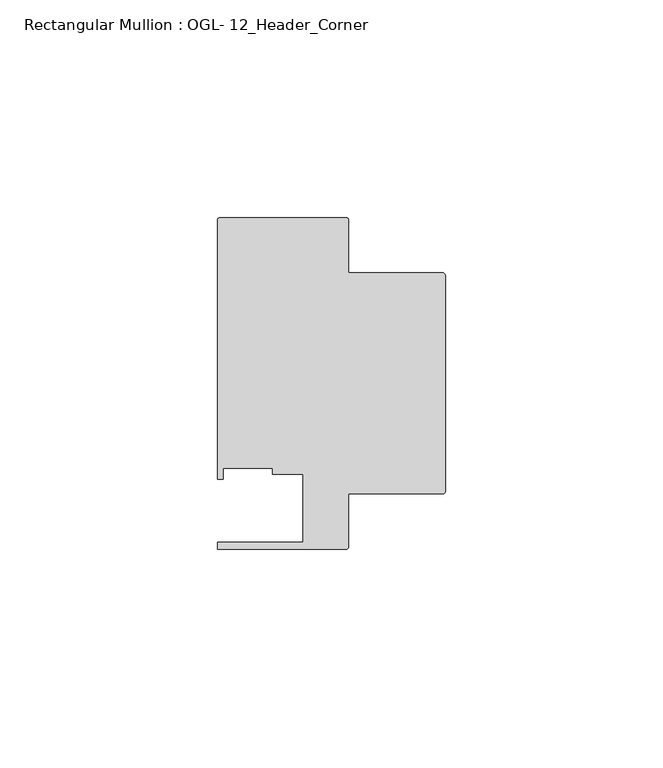
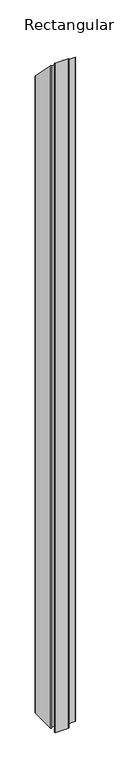
"""IFC4 building model written with IfcOpenShell, lengths in millimetres: member geometry, Rectangular Mullion : OGL- 12_Header_Corner."""

from ifc_helpers import new_model, si_unit, frame, origin, place, context, project, spatial, circle_curve, ellipse_curve, source, transform, mapped, element, save
from ifc_brep_helpers import plane_surface, cylinder_surface, advanced_brep


def rectangular_mullion_ogl_12_header_corner_714afadc(model_context):
    return source(origin(), model_context, "Body", "AdvancedBrep", [
        advanced_brep(
        [(-0.5953125, 55.5625, -1524.0), (0.0, 54.9671875, -1524.0), (0.0, 5.3578125, -1524.0), (-0.5953125, 4.7625, -1524.0), (-22.2332898, 4.7625, -1524.0), (-22.2332898, -7.294459, -1524.0), (-22.8763468, -7.937516, -1524.0), (-52.3830881, -7.937516, -1524.0), (-52.3830881, -6.350016, -1524.0), (-32.730302, -6.350016, -1524.0), (-32.730302, 9.3367652, -1524.0), (-39.7567771, 9.3367652, -1524.0), (-39.7567771, 10.6800725, -1524.0), (-51.1362531, 10.6800725, -1524.0), (-51.1362531, 8.1914024, -1524.0), (-52.3921824, 8.1914024, -1524.0), (-52.3921824, 67.6668667, -1524.0), (-51.7968699, 68.2621792, -1524.0), (-22.8286023, 68.2621792, -1524.0), (-22.2332898, 67.6668667, -1524.0), (-22.2332898, 55.5625, -1524.0), (-22.2332898, 55.5625, -55.5625), (-0.5953125, 55.5625, -55.5625), (-22.2332898, 67.6668667, -67.6668667), (-22.8286023, 68.2621792, -68.2621792), (-51.7968699, 68.2621792, -68.2621792), (-52.3921824, 67.6668667, -67.6668667), (-52.3921824, 8.1914024, -8.1914024), (-51.1362531, 8.1914024, -8.1914024), (-51.1362531, 10.6800725, -10.6800725), (-39.7567771, 10.6800725, -10.6800725), (-39.7567771, 9.3367652, -9.3367652), (-32.730302, 9.3367652, -9.3367652), (-32.730302, -6.350016, 6.350016), (-52.3830881, -6.350016, 6.350016), (-52.3830881, -7.937516, 7.937516), (-22.8763468, -7.937516, 7.937516), (-22.2332898, -7.294459, 7.294459), (-22.2332898, 4.7625, -4.7625), (-0.5953125, 4.7625, -4.7625), (0.0, 5.3578125, -5.3578125), (0.0, 54.9671875, -54.9671875)],
        [
            (0, 1, circle_curve(frame((-0.5953125, 54.9671875, -1524.0), z_axis=(0.0, 0.0, -1.0), x_axis=(0.0, 1.0, 0.0)), 0.5953125)),
            (1, 2),
            (2, 3, circle_curve(frame((-0.5953125, 5.3578125, -1524.0), z_axis=(0.0, 0.0, -1.0), x_axis=(1.0, 0.0, 0.0)), 0.5953125)),
            (3, 4),
            (4, 5),
            (5, 6, circle_curve(frame((-22.8763468, -7.294459, -1524.0), z_axis=(0.0, 0.0, -1.0), x_axis=(1.0, 0.0, 0.0)), 0.643057)),
            (6, 7),
            (7, 8),
            (8, 9),
            (9, 10),
            (10, 11),
            (11, 12),
            (12, 13),
            (13, 14),
            (14, 15),
            (15, 16),
            (16, 17, circle_curve(frame((-51.7968699, 67.6668667, -1524.0), z_axis=(0.0, 0.0, -1.0), x_axis=(1.0, 0.0, 0.0)), 0.5953125)),
            (17, 18),
            (18, 19, circle_curve(frame((-22.8286023, 67.6668667, -1524.0), z_axis=(0.0, 0.0, -1.0), x_axis=(1.0, 0.0, 0.0)), 0.5953125)),
            (19, 20),
            (20, 0),
            (21, 22),
            (22, 0),
            (20, 21),
            (23, 21),
            (19, 23),
            (24, 23, ellipse_curve(frame((-22.8286023, 67.6668667, -67.6668667), z_axis=(0.0, -0.7071067811865465, -0.7071067811865486), x_axis=(0.0, -0.7071067811865486, 0.7071067811865466)), 0.841899, 0.5953125)),
            (18, 24),
            (25, 24),
            (17, 25),
            (26, 25, ellipse_curve(frame((-51.7968699, 67.6668667, -67.6668667), z_axis=(0.0, -0.7071067811865465, -0.7071067811865486), x_axis=(0.0, -0.7071067811865486, 0.7071067811865466)), 0.841899, 0.5953125)),
            (16, 26),
            (27, 26),
            (15, 27),
            (28, 27),
            (14, 28),
            (29, 28),
            (13, 29),
            (30, 29),
            (12, 30),
            (31, 30),
            (11, 31),
            (32, 31),
            (10, 32),
            (33, 32),
            (9, 33),
            (34, 33),
            (8, 34),
            (35, 34),
            (7, 35),
            (36, 35),
            (6, 36),
            (37, 36, ellipse_curve(frame((-22.8763468, -7.294459, 7.294459), z_axis=(0.0, -0.7071067811865465, -0.7071067811865486), x_axis=(0.0, -0.7071067811865486, 0.7071067811865466)), 0.9094199, 0.643057)),
            (5, 37),
            (38, 37),
            (4, 38),
            (39, 38),
            (3, 39),
            (40, 39, ellipse_curve(frame((-0.5953125, 5.3578125, -5.3578125), z_axis=(0.0, -0.7071067811865465, -0.7071067811865486), x_axis=(0.0, -0.7071067811865486, 0.7071067811865466)), 0.841899, 0.5953125)),
            (2, 40),
            (41, 40),
            (1, 41),
            (22, 41, ellipse_curve(frame((-0.5953125, 54.9671875, -54.9671875), z_axis=(0.0, -0.7071067811865465, -0.7071067811865486), x_axis=(0.0, -0.7071067811865486, 0.7071067811865466)), 0.841899, 0.5953125)),
        ],
        [
            plane_surface(frame((0.0, -85.8058936, -1524.0), z_axis=(0.0, 0.0, -1.0), x_axis=(-1.0, 0.0, 0.0))),
            plane_surface(frame((-0.5953125, 55.5625, 0.0), z_axis=(0.0, 1.0, 0.0), x_axis=(0.0, 0.0, -1.0))),
            plane_surface(frame((-22.2332898, 55.5625, 0.0), z_axis=(1.0, 0.0, 0.0), x_axis=(0.0, 0.0, -1.0))),
            cylinder_surface(frame((-22.8286023, 67.6668667, 0.0), z_axis=(0.0, 0.0, 1.0), x_axis=(1.0, 0.0, 0.0)), 0.5953125),
            plane_surface(frame((-22.8286023, 68.2621792, 0.0), z_axis=(0.0, 1.0, 0.0), x_axis=(0.0, 0.0, -1.0))),
            cylinder_surface(frame((-51.7968699, 67.6668667, 0.0), z_axis=(0.0, 0.0, 1.0), x_axis=(1.0, 0.0, 0.0)), 0.5953125),
            plane_surface(frame((-52.3921824, 67.6668667, 0.0), z_axis=(-1.0, 0.0, 0.0), x_axis=(0.0, 0.0, -1.0))),
            plane_surface(frame((-52.3921824, 8.1914024, 0.0), z_axis=(0.0, -1.0, 0.0), x_axis=(0.0, 0.0, -1.0))),
            plane_surface(frame((-51.1362531, 8.1914024, 0.0), z_axis=(1.0, 0.0, 0.0), x_axis=(0.0, 0.0, -1.0))),
            plane_surface(frame((-51.1362531, 10.6800725, 0.0), z_axis=(0.0, -1.0, 0.0), x_axis=(0.0, 0.0, -1.0))),
            plane_surface(frame((-39.7567771, 10.6800725, 0.0), z_axis=(-1.0, 0.0, 0.0), x_axis=(0.0, 0.0, -1.0))),
            plane_surface(frame((-39.7567771, 9.3367652, 0.0), z_axis=(0.0, -1.0, 0.0), x_axis=(0.0, 0.0, -1.0))),
            plane_surface(frame((-32.730302, 9.3367652, 0.0), z_axis=(-1.0, 0.0, 0.0), x_axis=(0.0, 0.0, -1.0))),
            plane_surface(frame((-32.730302, -6.350016, 0.0), z_axis=(0.0, 1.0, 0.0), x_axis=(0.0, 0.0, -1.0))),
            plane_surface(frame((-52.3830881, -6.350016, 0.0), z_axis=(-1.0, 0.0, 0.0), x_axis=(0.0, 0.0, -1.0))),
            plane_surface(frame((-52.3830881, -7.937516, 0.0), z_axis=(0.0, -1.0, 0.0), x_axis=(0.0, 0.0, -1.0))),
            cylinder_surface(frame((-22.8763468, -7.294459, 0.0), z_axis=(0.0, 0.0, 1.0), x_axis=(1.0, 0.0, 0.0)), 0.643057),
            plane_surface(frame((-22.2332898, -7.294459, 0.0), z_axis=(1.0, 0.0, 0.0), x_axis=(0.0, 0.0, -1.0))),
            plane_surface(frame((-22.2332898, 4.7625, 0.0), z_axis=(0.0, -1.0, 0.0), x_axis=(0.0, 0.0, -1.0))),
            cylinder_surface(frame((-0.5953125, 5.3578125, 0.0), z_axis=(0.0, 0.0, 1.0), x_axis=(1.0, 0.0, 0.0)), 0.5953125),
            plane_surface(frame((0.0, 5.3578125, 0.0), z_axis=(1.0, 0.0, 0.0), x_axis=(0.0, 0.0, -1.0))),
            cylinder_surface(frame((-0.5953125, 54.9671875, 0.0), z_axis=(0.0, 0.0, 1.0), x_axis=(0.0, 1.0, 0.0)), 0.5953125),
            plane_surface(frame((-304.8, 0.0, 0.0), z_axis=(0.0, 0.7071067811865465, 0.7071067811865486), x_axis=(0.0, 0.7071067811865486, -0.7071067811865465))),
        ],
        [
            (0, [[1, 2, 3, 4, 5, 6, 7, 8, 9, 10, 11, 12, 13, 14, 15, 16, 17, 18, 19, 20, 21]]),
            (1, [[22, 23, -21, 24]]),
            (2, [[25, -24, -20, 26]]),
            (3, [[27, -26, -19, 28]]),
            (4, [[29, -28, -18, 30]]),
            (5, [[31, -30, -17, 32]]),
            (6, [[33, -32, -16, 34]]),
            (7, [[35, -34, -15, 36]]),
            (8, [[37, -36, -14, 38]]),
            (9, [[39, -38, -13, 40]]),
            (10, [[41, -40, -12, 42]]),
            (11, [[43, -42, -11, 44]]),
            (12, [[45, -44, -10, 46]]),
            (13, [[47, -46, -9, 48]]),
            (14, [[49, -48, -8, 50]]),
            (15, [[51, -50, -7, 52]]),
            (16, [[53, -52, -6, 54]]),
            (17, [[55, -54, -5, 56]]),
            (18, [[57, -56, -4, 58]]),
            (19, [[59, -58, -3, 60]]),
            (20, [[61, -60, -2, 62]]),
            (21, [[63, -62, -1, -23]]),
            (22, [[-22, -25, -27, -29, -31, -33, -35, -37, -39, -41, -43, -45, -47, -49, -51, -53, -55, -57, -59, -61, -63]]),
        ],
    ),
    ])


if __name__ == "__main__":
    model = new_model("IFC4")
    model_context = context("Model", 3, world=origin())
    ifc_project = project(units=[si_unit("LENGTHUNIT", "METRE", prefix="MILLI")], contexts=[model_context])
    site = spatial("IfcSite", under=ifc_project)
    building = spatial("IfcBuilding", under=site)
    placement = place(None, origin())
    rectangular_mullion_ogl_12_header_corner_shape = rectangular_mullion_ogl_12_header_corner_714afadc(model_context)
    element("IfcMember", 1, ObjectType="Rectangular Mullion : OGL- 12_Header_Corner", at=placement, inside=building, context=model_context, shape_type="MappedRepresentation", body=[
        mapped(rectangular_mullion_ogl_12_header_corner_shape, transform((0.0, 0.0, 0.0), x_axis=(1.0, 0.0, 0.0), y_axis=(0.0, 1.0, 0.0), z_axis=(0.0, 0.0, 1.0))),
    ])
    save(model, "model.ifc")
